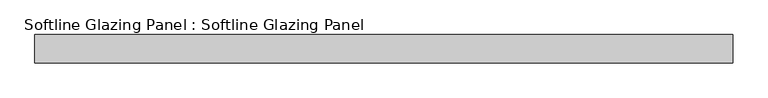
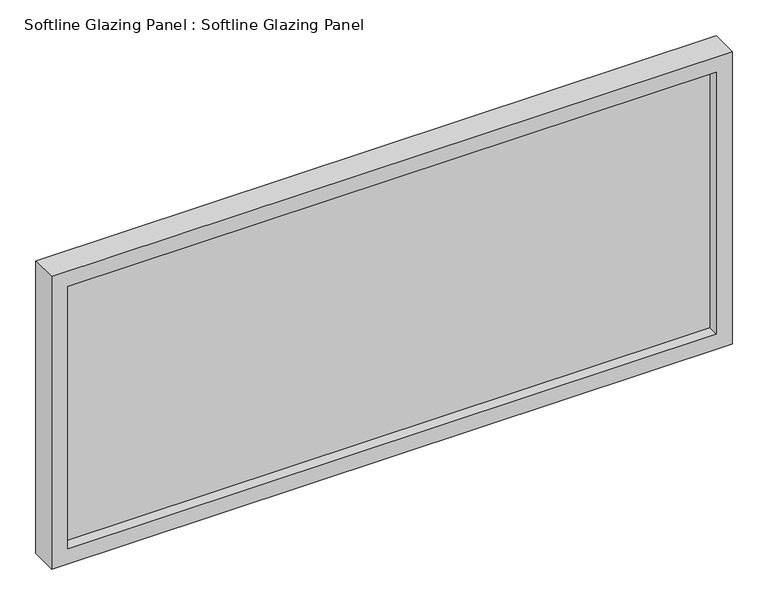
"""IFC4 building model written with IfcOpenShell, lengths in millimetres: plate geometry, Softline Glazing Panel : Softline Glazing Panel."""

from ifc_helpers import new_model, si_unit, frame, origin, place, context, project, spatial, polyline, outline, extrude, faceted_brep, source, transform, mapped, element, save


def softline_glazing_panel_softline_glazing_panel_3872afc7(model_context):
    return source(origin(), model_context, "Body", "SolidModel", [
        extrude(outline(polyline([(535.25, 4.0), (535.25, -4.0), (-535.25, -4.0), (-535.25, 4.0), (535.25, 4.0)])), frame((0.0, 0.0, 16.0), z_axis=(0.0, 0.0, 1.0), x_axis=(1.0, 0.0, 0.0)), (0.0, 0.0, 1.0), 469.3378484),
        faceted_brep([(525.25, 4.0, 26.0), (525.25, 22.5, 26.0), (-525.25, 22.5, 26.0), (-525.25, 4.0, 26.0), (535.25, -4.0, 16.0), (535.25, 4.0, 16.0), (-535.25, 4.0, 16.0), (-535.25, -4.0, 16.0), (525.25, -22.5, 26.0), (525.25, -4.0, 26.0), (-525.25, -4.0, 26.0), (-525.25, -22.5, 26.0), (551.25, 22.5, 0.0), (551.25, -22.5, 0.0), (-551.25, -22.5, 0.0), (-551.25, 22.5, 0.0), (-525.25, 22.5, 475.3378484), (-525.25, 4.0, 475.3378484), (-535.25, 4.0, 485.3378484), (-535.25, -4.0, 485.3378484), (-525.25, -4.0, 475.3378484), (-525.25, -22.5, 475.3378484), (-551.25, -22.5, 501.3378484), (-551.25, 22.5, 501.3378484), (525.25, 22.5, 475.3378484), (525.25, 4.0, 475.3378484), (535.25, 4.0, 485.3378484), (535.25, -4.0, 485.3378484), (525.25, -4.0, 475.3378484), (525.25, -22.5, 475.3378484), (551.25, -22.5, 501.3378484), (551.25, 22.5, 501.3378484)], [[[0, 1, 2, 3]], [[4, 5, 6, 7]], [[8, 9, 10, 11]], [[12, 13, 14, 15]], [[3, 2, 16, 17]], [[7, 6, 18, 19]], [[11, 10, 20, 21]], [[15, 14, 22, 23]], [[17, 16, 24, 25]], [[19, 18, 26, 27]], [[21, 20, 28, 29]], [[23, 22, 30, 31]], [[15, 23, 31, 12], [1, 24, 16, 2]], [[25, 24, 1, 0]], [[5, 26, 18, 6], [3, 17, 25, 0]], [[27, 26, 5, 4]], [[7, 19, 27, 4], [9, 28, 20, 10]], [[29, 28, 9, 8]], [[13, 30, 22, 14], [11, 21, 29, 8]], [[31, 30, 13, 12]]]),
    ])


if __name__ == "__main__":
    model = new_model("IFC4")
    model_context = context("Model", 3, world=origin())
    ifc_project = project(units=[si_unit("LENGTHUNIT", "METRE", prefix="MILLI")], contexts=[model_context])
    site = spatial("IfcSite", under=ifc_project)
    building = spatial("IfcBuilding", under=site)
    placement = place(None, origin())
    softline_glazing_panel_softline_glazing_panel_shape = softline_glazing_panel_softline_glazing_panel_3872afc7(model_context)
    element("IfcPlate", 1, ObjectType="Softline Glazing Panel : Softline Glazing Panel", at=placement, inside=building, context=model_context, shape_type="MappedRepresentation", body=[
        mapped(softline_glazing_panel_softline_glazing_panel_shape, transform((0.0, 0.0, 0.0), x_axis=(1.0, 0.0, 0.0), y_axis=(0.0, 1.0, 0.0), z_axis=(0.0, 0.0, 1.0))),
    ])
    save(model, "model.ifc")
